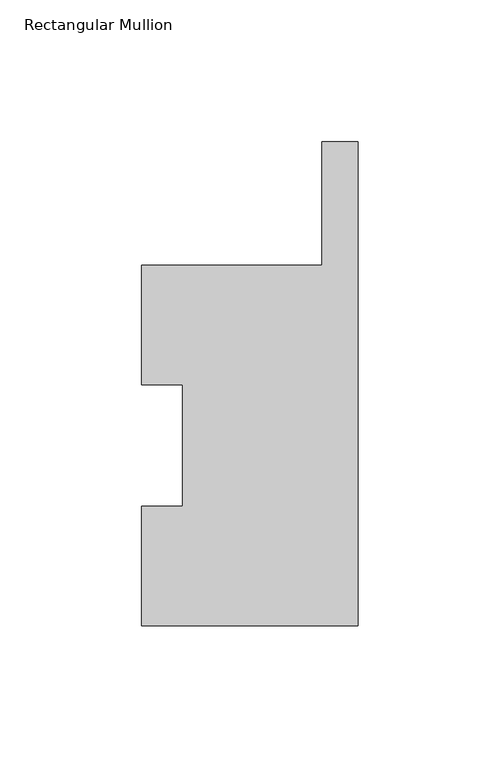
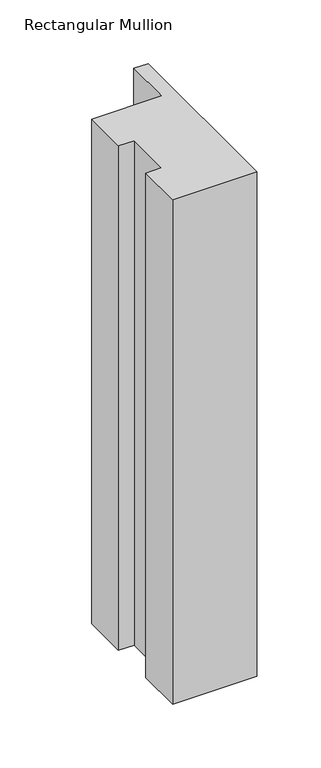
"""IFC4 building model written with IfcOpenShell, lengths in millimetres: member geometry, Rectangular Mullion."""

from ifc_helpers import new_model, si_unit, frame, origin, place, context, project, spatial, polyline, outline, extrude, source, transform, mapped, element, save


def rectangular_mullion_61e2acdf(model_context):
    return source(origin(), model_context, "Body", "SweptSolid", [
        extrude(outline(polyline([(-12.7, 127.006348), (-12.7, 170.4246878), (0.0, 170.4246878), (0.0, 0.0063465), (-76.2, 0.0063465), (-76.2, 42.0814491), (-61.9125, 42.0814491), (-61.9125, 84.93125), (-76.2, 84.93125), (-76.2, 127.006348), (-12.7, 127.006348)])), frame((0.0, 0.0, -482.6), z_axis=(0.0, 0.0, 1.0), x_axis=(1.0, 0.0, 0.0)), (0.0, 0.0, 1.0), 482.6),
    ])


if __name__ == "__main__":
    model = new_model("IFC4")
    model_context = context("Model", 3, world=origin())
    ifc_project = project(units=[si_unit("LENGTHUNIT", "METRE", prefix="MILLI")], contexts=[model_context])
    site = spatial("IfcSite", under=ifc_project)
    building = spatial("IfcBuilding", under=site)
    placement = place(None, origin())
    rectangular_mullion_shape = rectangular_mullion_61e2acdf(model_context)
    element("IfcMember", 1, ObjectType="Rectangular Mullion", at=placement, inside=building, context=model_context, shape_type="MappedRepresentation", body=[
        mapped(rectangular_mullion_shape, transform((0.0, 0.0, 0.0), x_axis=(1.0, 0.0, 0.0), y_axis=(0.0, 1.0, 0.0), z_axis=(0.0, 0.0, 1.0))),
    ])
    save(model, "model.ifc")
